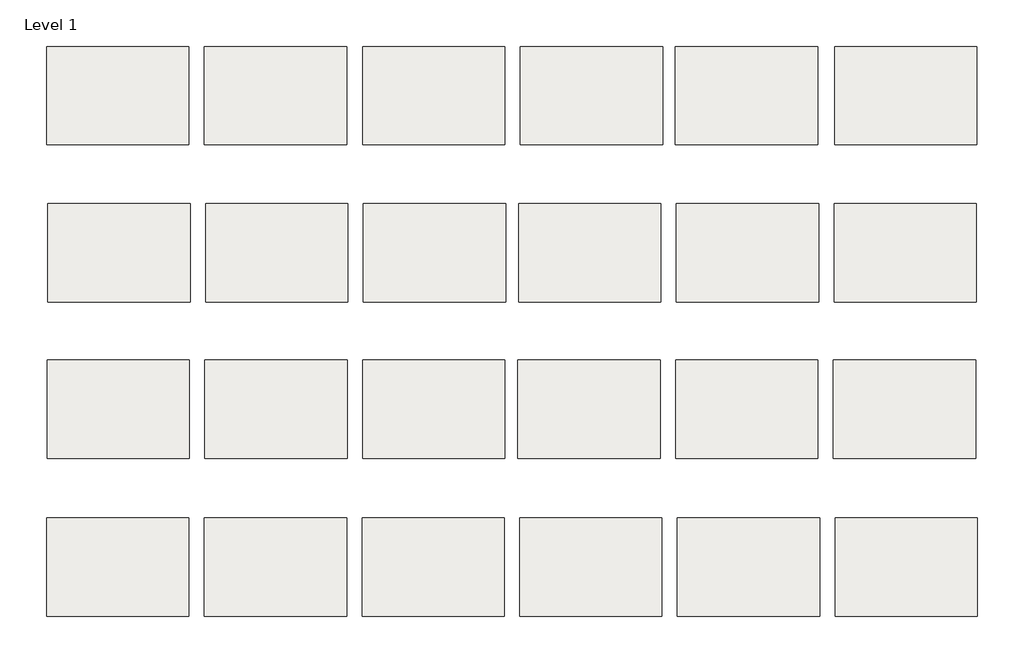
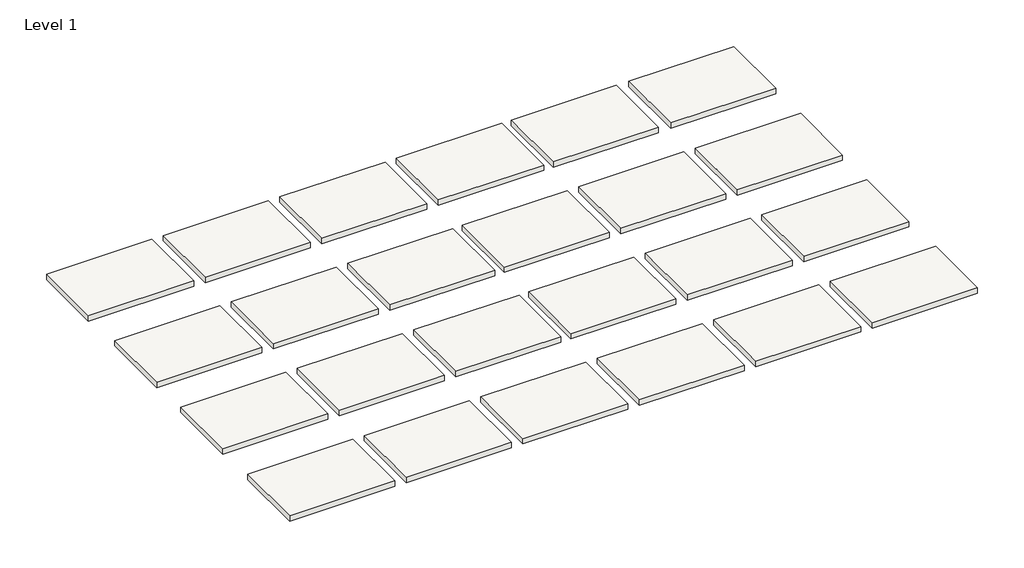
# One storey: 24 slabs.
"""IFC4 building model written with IfcOpenShell, lengths in millimetres."""

from ifc_helpers import new_model, si_unit, frame, origin, place, context, project, spatial, polyline, outline, extrude, element, save

model = new_model("IFC4")

# Units and contexts
model_context = context("Model", 3, world=origin())
ifc_project = project(units=[si_unit("LENGTHUNIT", "METRE", prefix="MILLI")], contexts=[model_context])

# Site, building, storey
site = spatial("IfcSite", under=ifc_project)
building = spatial("IfcBuilding", under=site)
storey = spatial("IfcBuildingStorey", under=building, Name="Level 1", Elevation=0.0)

# Slabs
placement = place(None, origin())
element("IfcSlab", 1, at=placement, inside=storey, context=model_context, shape_type="SweptSolid", body=[
    extrude(outline(polyline([(-37586.4480893, 34491.0017624), (-37586.4480893, 34249.7017624), (-37935.6980893, 34249.7017624), (-37935.6980893, 34491.0017624), (-37586.4480893, 34491.0017624)])), frame((0.0, 0.0, -19.05), z_axis=(0.0, 0.0, 1.0), x_axis=(1.0, 0.0, 0.0)), (0.0, 0.0, 1.0), 19.05),
])
element("IfcSlab", 2, at=placement, inside=storey, context=model_context, shape_type="SweptSolid", body=[
    extrude(outline(polyline([(-36810.8082683, 34491.0017624), (-36810.8082683, 34249.7017624), (-37160.0582683, 34249.7017624), (-37160.0582683, 34491.0017624), (-36810.8082683, 34491.0017624)])), frame((0.0, 0.0, -19.05), z_axis=(0.0, 0.0, 1.0), x_axis=(1.0, 0.0, 0.0)), (0.0, 0.0, 1.0), 19.05),
])
element("IfcSlab", 3, at=placement, inside=storey, context=model_context, shape_type="SweptSolid", body=[
    extrude(outline(polyline([(-36423.4582683, 34491.0017624), (-36423.4582683, 34249.7017624), (-36772.7082683, 34249.7017624), (-36772.7082683, 34491.0017624), (-36423.4582683, 34491.0017624)])), frame((0.0, 0.0, -19.05), z_axis=(0.0, 0.0, 1.0), x_axis=(1.0, 0.0, 0.0)), (0.0, 0.0, 1.0), 19.05),
])
element("IfcSlab", 4, at=placement, inside=storey, context=model_context, shape_type="SweptSolid", body=[
    extrude(outline(polyline([(-37583.4892949, 34104.4871206), (-37583.4892949, 33863.1871206), (-37932.7392949, 33863.1871206), (-37932.7392949, 34104.4871206), (-37583.4892949, 34104.4871206)])), frame((0.0, 0.0, -19.05), z_axis=(0.0, 0.0, 1.0), x_axis=(1.0, 0.0, 0.0)), (0.0, 0.0, 1.0), 19.05),
])
element("IfcSlab", 5, at=placement, inside=storey, context=model_context, shape_type="SweptSolid", body=[
    extrude(outline(polyline([(-36808.7892949, 34104.4871206), (-36808.7892949, 33863.1871206), (-37158.0392949, 33863.1871206), (-37158.0392949, 34104.4871206), (-36808.7892949, 34104.4871206)])), frame((0.0, 0.0, -19.05), z_axis=(0.0, 0.0, 1.0), x_axis=(1.0, 0.0, 0.0)), (0.0, 0.0, 1.0), 19.05),
])
element("IfcSlab", 6, at=placement, inside=storey, context=model_context, shape_type="SweptSolid", body=[
    extrude(outline(polyline([(-36040.4392949, 34104.4871206), (-36040.4392949, 33863.1871206), (-36389.6892949, 33863.1871206), (-36389.6892949, 34104.4871206), (-36040.4392949, 34104.4871206)])), frame((0.0, 0.0, -19.05), z_axis=(0.0, 0.0, 1.0), x_axis=(1.0, 0.0, 0.0)), (0.0, 0.0, 1.0), 19.05),
])
element("IfcSlab", 7, at=placement, inside=storey, context=model_context, shape_type="SweptSolid", body=[
    extrude(outline(polyline([(-37197.8503724, 33720.0784357), (-37197.8503724, 33478.7784357), (-37547.1003724, 33478.7784357), (-37547.1003724, 33720.0784357), (-37197.8503724, 33720.0784357)])), frame((0.0, 0.0, -19.05), z_axis=(0.0, 0.0, 1.0), x_axis=(1.0, 0.0, 0.0)), (0.0, 0.0, 1.0), 19.05),
])
element("IfcSlab", 8, at=placement, inside=storey, context=model_context, shape_type="SweptSolid", body=[
    extrude(outline(polyline([(-37199.5614499, 33332.4947508), (-37199.5614499, 33091.1947508), (-37548.8114499, 33091.1947508), (-37548.8114499, 33332.4947508), (-37199.5614499, 33332.4947508)])), frame((0.0, 0.0, -19.05), z_axis=(0.0, 0.0, 1.0), x_axis=(1.0, 0.0, 0.0)), (0.0, 0.0, 1.0), 19.05),
])
element("IfcSlab", 9, at=placement, inside=storey, context=model_context, shape_type="SweptSolid", body=[
    extrude(outline(polyline([(-36812.2114499, 33332.4947508), (-36812.2114499, 33091.1947508), (-37161.4614499, 33091.1947508), (-37161.4614499, 33332.4947508), (-36812.2114499, 33332.4947508)])), frame((0.0, 0.0, -19.05), z_axis=(0.0, 0.0, 1.0), x_axis=(1.0, 0.0, 0.0)), (0.0, 0.0, 1.0), 19.05),
])
element("IfcSlab", 10, at=placement, inside=storey, context=model_context, shape_type="SweptSolid", body=[
    extrude(outline(polyline([(-36424.8614499, 33332.4947508), (-36424.8614499, 33091.1947508), (-36774.1114499, 33091.1947508), (-36774.1114499, 33332.4947508), (-36424.8614499, 33332.4947508)])), frame((0.0, 0.0, -19.05), z_axis=(0.0, 0.0, 1.0), x_axis=(1.0, 0.0, 0.0)), (0.0, 0.0, 1.0), 19.05),
])
element("IfcSlab", 11, at=placement, inside=storey, context=model_context, shape_type="SweptSolid", body=[
    extrude(outline(polyline([(-36037.5114499, 33332.4947508), (-36037.5114499, 33091.1947508), (-36386.7614499, 33091.1947508), (-36386.7614499, 33332.4947508), (-36037.5114499, 33332.4947508)])), frame((0.0, 0.0, -19.05), z_axis=(0.0, 0.0, 1.0), x_axis=(1.0, 0.0, 0.0)), (0.0, 0.0, 1.0), 19.05),
])
element("IfcSlab", 12, at=placement, inside=storey, context=model_context, shape_type="SweptSolid", body=[
    extrude(outline(polyline([(-35650.1614499, 33332.4947508), (-35650.1614499, 33091.1947508), (-35999.4114499, 33091.1947508), (-35999.4114499, 33332.4947508), (-35650.1614499, 33332.4947508)])), frame((0.0, 0.0, -19.05), z_axis=(0.0, 0.0, 1.0), x_axis=(1.0, 0.0, 0.0)), (0.0, 0.0, 1.0), 19.05),
])
element("IfcSlab", 13, at=placement, inside=storey, context=model_context, shape_type="SweptSolid", body=[
    extrude(outline(polyline([(-37199.0980893, 34491.0017624), (-37199.0980893, 34249.7017624), (-37548.3480893, 34249.7017624), (-37548.3480893, 34491.0017624), (-37199.0980893, 34491.0017624)])), frame((0.0, 0.0, -19.05), z_axis=(0.0, 0.0, 1.0), x_axis=(1.0, 0.0, 0.0)), (0.0, 0.0, 1.0), 19.05),
])
element("IfcSlab", 14, ObjectType="Edgewood Base Tread GB 500 - 3/4\" Thick HD Carpet Charcoal", at=placement, inside=storey, context=model_context, shape_type="SweptSolid", body=[
    extrude(outline(polyline([(-37196.1392949, 34104.4871206), (-37196.1392949, 33863.1871206), (-37545.3892949, 33863.1871206), (-37545.3892949, 34104.4871206), (-37196.1392949, 34104.4871206)])), frame((0.0, 0.0, -19.05), z_axis=(0.0, 0.0, 1.0), x_axis=(1.0, 0.0, 0.0)), (0.0, 0.0, 1.0), 19.05),
])
element("IfcSlab", 15, ObjectType="Edgewood Base Tread GB 500 - 3/4\" Thick HD Carpet Denim", at=placement, inside=storey, context=model_context, shape_type="SweptSolid", body=[
    extrude(outline(polyline([(-36427.7892949, 34104.4871206), (-36427.7892949, 33863.1871206), (-36777.0392949, 33863.1871206), (-36777.0392949, 34104.4871206), (-36427.7892949, 34104.4871206)])), frame((0.0, 0.0, -19.05), z_axis=(0.0, 0.0, 1.0), x_axis=(1.0, 0.0, 0.0)), (0.0, 0.0, 1.0), 19.05),
])
element("IfcSlab", 16, ObjectType="Edgewood Base Tread GB 500 - 3/4\" Thick HD Carpet Espresso", at=placement, inside=storey, context=model_context, shape_type="SweptSolid", body=[
    extrude(outline(polyline([(-35653.0892949, 34104.4871206), (-35653.0892949, 33863.1871206), (-36002.3392949, 33863.1871206), (-36002.3392949, 34104.4871206), (-35653.0892949, 34104.4871206)])), frame((0.0, 0.0, -19.05), z_axis=(0.0, 0.0, 1.0), x_axis=(1.0, 0.0, 0.0)), (0.0, 0.0, 1.0), 19.05),
])
element("IfcSlab", 17, ObjectType="Edgewood Base Tread GB 500 - 3/4\" Thick HD Carpet Java", at=placement, inside=storey, context=model_context, shape_type="SweptSolid", body=[
    extrude(outline(polyline([(-37585.2003724, 33720.0784357), (-37585.2003724, 33478.7784357), (-37934.4503724, 33478.7784357), (-37934.4503724, 33720.0784357), (-37585.2003724, 33720.0784357)])), frame((0.0, 0.0, -19.05), z_axis=(0.0, 0.0, 1.0), x_axis=(1.0, 0.0, 0.0)), (0.0, 0.0, 1.0), 19.05),
])
element("IfcSlab", 18, ObjectType="Edgewood Base Tread GB 500 - 3/4\" Thick HD Carpet Onyx", at=placement, inside=storey, context=model_context, shape_type="SweptSolid", body=[
    extrude(outline(polyline([(-36042.4582683, 34491.0017624), (-36042.4582683, 34249.7017624), (-36391.7082683, 34249.7017624), (-36391.7082683, 34491.0017624), (-36042.4582683, 34491.0017624)])), frame((0.0, 0.0, -19.05), z_axis=(0.0, 0.0, 1.0), x_axis=(1.0, 0.0, 0.0)), (0.0, 0.0, 1.0), 19.05),
])
element("IfcSlab", 19, ObjectType="Edgewood Base Tread GB 500 - 3/4\" Thick HD Carpet Shadow", at=placement, inside=storey, context=model_context, shape_type="SweptSolid", body=[
    extrude(outline(polyline([(-35651.9332683, 34491.0017624), (-35651.9332683, 34249.7017624), (-36001.1832683, 34249.7017624), (-36001.1832683, 34491.0017624), (-35651.9332683, 34491.0017624)])), frame((0.0, 0.0, -19.05), z_axis=(0.0, 0.0, 1.0), x_axis=(1.0, 0.0, 0.0)), (0.0, 0.0, 1.0), 19.05),
])
element("IfcSlab", 20, ObjectType="Edgewood Base Tread GB 500 - 3/4\" Thick HD Carpet Spice", at=placement, inside=storey, context=model_context, shape_type="SweptSolid", body=[
    extrude(outline(polyline([(-36810.5003724, 33720.0784357), (-36810.5003724, 33478.7784357), (-37159.7503724, 33478.7784357), (-37159.7503724, 33720.0784357), (-36810.5003724, 33720.0784357)])), frame((0.0, 0.0, -19.05), z_axis=(0.0, 0.0, 1.0), x_axis=(1.0, 0.0, 0.0)), (0.0, 0.0, 1.0), 19.05),
])
element("IfcSlab", 21, ObjectType="Edgewood Base Tread GB 500 - 3/4\" Thick HD Carpet Suede", at=placement, inside=storey, context=model_context, shape_type="SweptSolid", body=[
    extrude(outline(polyline([(-36429.5003724, 33720.0784357), (-36429.5003724, 33478.7784357), (-36778.7503724, 33478.7784357), (-36778.7503724, 33720.0784357), (-36429.5003724, 33720.0784357)])), frame((0.0, 0.0, -19.05), z_axis=(0.0, 0.0, 1.0), x_axis=(1.0, 0.0, 0.0)), (0.0, 0.0, 1.0), 19.05),
])
element("IfcSlab", 22, ObjectType="Edgewood Base Tread GB 500 - 3/4\" Thick Vinyl Black", at=placement, inside=storey, context=model_context, shape_type="SweptSolid", body=[
    extrude(outline(polyline([(-36042.1503724, 33720.0784357), (-36042.1503724, 33478.7784357), (-36391.4003724, 33478.7784357), (-36391.4003724, 33720.0784357), (-36042.1503724, 33720.0784357)])), frame((0.0, 0.0, -19.05), z_axis=(0.0, 0.0, 1.0), x_axis=(1.0, 0.0, 0.0)), (0.0, 0.0, 1.0), 19.05),
])
element("IfcSlab", 23, ObjectType="Edgewood Base Tread GB 500 - 3/4\" Thick Vinyl Brown", at=placement, inside=storey, context=model_context, shape_type="SweptSolid", body=[
    extrude(outline(polyline([(-35654.8003724, 33720.0784357), (-35654.8003724, 33478.7784357), (-36004.0503724, 33478.7784357), (-36004.0503724, 33720.0784357), (-35654.8003724, 33720.0784357)])), frame((0.0, 0.0, -19.05), z_axis=(0.0, 0.0, 1.0), x_axis=(1.0, 0.0, 0.0)), (0.0, 0.0, 1.0), 19.05),
])
element("IfcSlab", 24, ObjectType="Edgewood Base Tread GB 500 - 3/4\" Thick Vinyl Grey", at=placement, inside=storey, context=model_context, shape_type="SweptSolid", body=[
    extrude(outline(polyline([(-37586.9114499, 33332.4947508), (-37586.9114499, 33091.1947508), (-37936.1614499, 33091.1947508), (-37936.1614499, 33332.4947508), (-37586.9114499, 33332.4947508)])), frame((0.0, 0.0, -19.05), z_axis=(0.0, 0.0, 1.0), x_axis=(1.0, 0.0, 0.0)), (0.0, 0.0, 1.0), 19.05),
])

save(model, "model.ifc")
